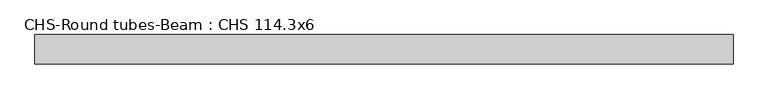
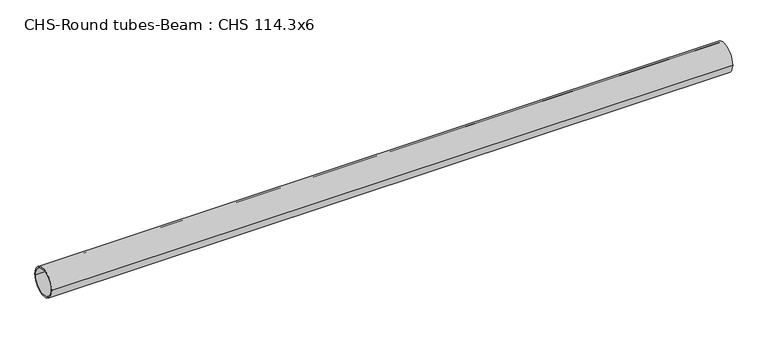
"""IFC4 building model written with IfcOpenShell, lengths in millimetres: beam geometry, CHS-Round tubes-Beam : CHS 114.3x6."""

from ifc_helpers import new_model, si_unit, point, frame, origin, origin_2d, place, context, project, spatial, circle_curve, trimmed, segment, composite_curve, outline, extrude, source, transform, mapped, element, save


def chs_round_tubes_beam_chs_114_3x6_1910a695(model_context):
    return source(origin(), model_context, "Body", "SweptSolid", [
        extrude(outline(composite_curve([segment(trimmed(circle_curve(origin_2d(), 57.15), [point((57.15, 0.0))], [point((-57.15, 0.0))], False, "CARTESIAN"), True, "CONTINUOUS"), segment(trimmed(circle_curve(origin_2d(), 57.15), [point((-57.15, 0.0))], [point((57.15, 0.0))], False, "CARTESIAN"), True, "CONTINUOUS")], self_intersect=False), holes=[composite_curve([segment(trimmed(circle_curve(origin_2d(), 51.15), [point((51.15, 0.0))], [point((-51.15, 0.0))], True, "CARTESIAN"), True, "CONTINUOUS"), segment(trimmed(circle_curve(origin_2d(), 51.15), [point((-51.15, 0.0))], [point((51.15, 0.0))], True, "CARTESIAN"), True, "CONTINUOUS")], self_intersect=False)]), frame((-1303.6973458, 0.0, 0.0), z_axis=(1.0, 0.0, 0.0), x_axis=(0.0, 1.0, 0.0)), (0.0, 0.0, 1.0), 2698.2250995),
    ])


if __name__ == "__main__":
    model = new_model("IFC4")
    model_context = context("Model", 3, world=origin())
    ifc_project = project(units=[si_unit("LENGTHUNIT", "METRE", prefix="MILLI")], contexts=[model_context])
    site = spatial("IfcSite", under=ifc_project)
    building = spatial("IfcBuilding", under=site)
    placement = place(None, origin())
    chs_round_tubes_beam_chs_114_3x6_shape = chs_round_tubes_beam_chs_114_3x6_1910a695(model_context)
    element("IfcBeam", 1, ObjectType="CHS-Round tubes-Beam : CHS 114.3x6", at=placement, inside=building, context=model_context, shape_type="MappedRepresentation", body=[
        mapped(chs_round_tubes_beam_chs_114_3x6_shape, transform((0.0, 0.0, 0.0), x_axis=(1.0, 0.0, 0.0), y_axis=(0.0, 1.0, 0.0), z_axis=(0.0, 0.0, 1.0))),
    ])
    save(model, "model.ifc")
